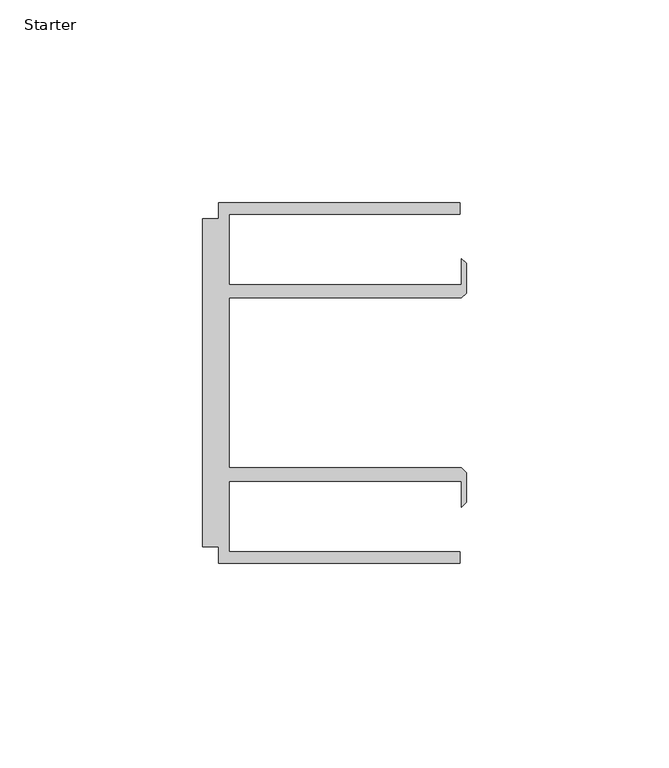
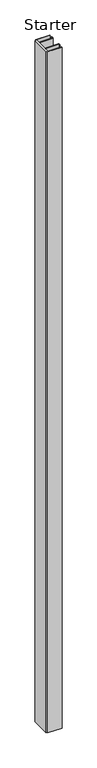
"""IFC4 building model written with IfcOpenShell, lengths in millimetres: furniture geometry, Starter."""

from ifc_helpers import new_model, si_unit, origin, origin_with_axes, place, context, project, spatial, polyline, outline, extrude, source, transform, mapped, element, save


def starter_e26c7478(model_context):
    return source(origin(), model_context, "Body", "SweptSolid", [
        extrude(outline(polyline([(33.9771533, 59.951805), (93.4771531, 59.951805), (93.4771531, 57.1518064), (36.5771534, 57.1518064), (36.5771534, 39.7518058), (93.9195633, 39.7518058), (93.9195633, 46.1177636), (95.0646531, 44.9726737), (95.0646531, 37.5968955), (93.9195633, 36.4518057), (36.5771534, 36.4518057), (36.5771534, -5.4481956), (93.9195633, -5.4481956), (95.0646531, -6.5932854), (95.0646531, -13.9690637), (93.9195633, -15.1141535), (93.9195633, -8.7481957), (36.5771534, -8.7481957), (36.5771534, -26.1481963), (93.4771531, -26.1481963), (93.4771531, -28.948195), (33.9771533, -28.948195), (33.9771533, -24.9481962), (29.9771531, -24.9481962), (29.9771531, 55.9518063), (33.9771533, 55.9518063), (33.9771533, 59.951805)])), origin_with_axes(), (0.0, 0.0, 1.0), 3048.0),
    ])


if __name__ == "__main__":
    model = new_model("IFC4")
    model_context = context("Model", 3, world=origin())
    ifc_project = project(units=[si_unit("LENGTHUNIT", "METRE", prefix="MILLI")], contexts=[model_context])
    site = spatial("IfcSite", under=ifc_project)
    building = spatial("IfcBuilding", under=site)
    placement = place(None, origin())
    starter_shape = starter_e26c7478(model_context)
    element("IfcFurniture", 1, ObjectType="Starter", at=placement, inside=building, context=model_context, shape_type="MappedRepresentation", body=[
        mapped(starter_shape, transform((0.0, 0.0, 0.0), x_axis=(1.0, 0.0, 0.0), y_axis=(0.0, 1.0, 0.0), z_axis=(0.0, 0.0, 1.0))),
    ])
    save(model, "model.ifc")
